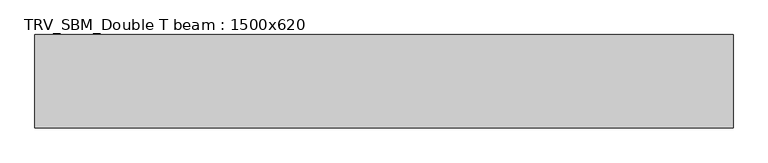
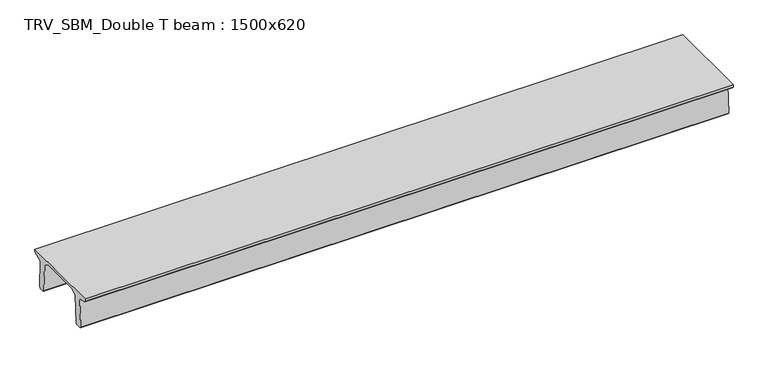
"""IFC4 building model written with IfcOpenShell, lengths in millimetres: beam geometry, TRV_SBM_Double T beam : 1500x620."""

from ifc_helpers import new_model, si_unit, frame, origin, place, context, project, spatial, polyline, outline, extrude, source, transform, mapped, element, save


def trv_sbm_double_t_beam_1500x620_b07dc920(model_context):
    return source(origin(), model_context, "Body", "SweptSolid", [
        extrude(outline(polyline([(-765.0, 215.0), (-765.0, 260.0), (735.0, 260.0), (735.0, 215.0), (728.2094488, 201.315559), (578.0626443, 140.6523122), (594.8277662, -339.4379646), (574.2657308, -360.0), (484.2657308, -360.0), (464.786332, -340.5206011), (447.8600761, 144.18395), (338.3237744, 210.0), (-367.4555014, 210.0), (-476.5389732, 151.9992892), (-507.0080378, -339.3850967), (-527.622941, -360.0), (-615.122941, -360.0), (-637.1143055, -338.0086356), (-606.1572167, 162.687806), (-761.3068466, 204.260024), (-765.0, 215.0)])), frame((-5599.0, 0.0, 0.0), z_axis=(1.0, 0.0, 0.0), x_axis=(0.0, 1.0, 0.0)), (0.0, 0.0, 1.0), 11198.0),
    ])


if __name__ == "__main__":
    model = new_model("IFC4")
    model_context = context("Model", 3, world=origin())
    ifc_project = project(units=[si_unit("LENGTHUNIT", "METRE", prefix="MILLI")], contexts=[model_context])
    site = spatial("IfcSite", under=ifc_project)
    building = spatial("IfcBuilding", under=site)
    placement = place(None, origin())
    trv_sbm_double_t_beam_1500x620_shape = trv_sbm_double_t_beam_1500x620_b07dc920(model_context)
    element("IfcBeam", 1, ObjectType="TRV_SBM_Double T beam : 1500x620", at=placement, inside=building, context=model_context, shape_type="MappedRepresentation", body=[
        mapped(trv_sbm_double_t_beam_1500x620_shape, transform((0.0, 0.0, 0.0), x_axis=(1.0, 0.0, 0.0), y_axis=(0.0, 1.0, 0.0), z_axis=(0.0, 0.0, 1.0))),
    ])
    save(model, "model.ifc")
